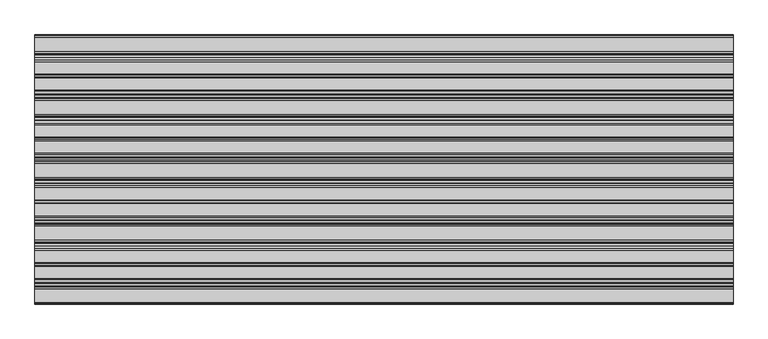
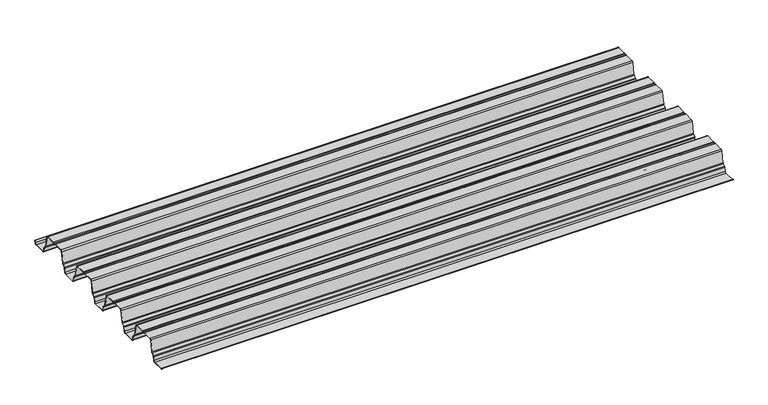
"""IFC4 building model written with IfcOpenShell, lengths in millimetres: proxy geometry."""

from ifc_helpers import new_model, si_unit, point, frame, frame_2d, origin, place, context, project, spatial, polyline, circle_curve, trimmed, segment, composite_curve, outline, extrude, source, transform, mapped, element, save


def generic_models_6c140cdf(model_context):
    return source(origin(), model_context, "Body", "SweptSolid", [
        extrude(outline(composite_curve([segment(polyline([(799.2348674, 5.0285637), (800.8132802, 13.0543919), (801.6286046, 13.0543919), (800.0198311, 4.8741875)]), True, "CONTINUOUS"), segment(trimmed(circle_curve(frame_2d((794.0936862, 6.0396627)), 6.0396627), [point((800.0198311, 4.8741875))], [point((794.0936862, 0.0))], False, "CARTESIAN"), True, "CONTINUOUS"), segment(polyline([(794.0936862, 0.0), (752.4008295, 0.0)]), True, "CONTINUOUS"), segment(trimmed(circle_curve(frame_2d((752.4008295, 6.0396627)), 6.0396627), [point((752.4008295, 0.0))], [point((746.4746846, 4.8741875))], False, "CARTESIAN"), True, "CONTINUOUS"), segment(polyline([(746.4746846, 4.8741875), (743.6634701, 19.1684986)]), True, "CONTINUOUS"), segment(trimmed(circle_curve(frame_2d((739.7968889, 18.408071)), 3.9406472), [point((743.6634701, 19.1684986))], [point((742.4263735, 21.3431197))], True, "CARTESIAN"), True, "CONTINUOUS"), segment(polyline([(742.4263735, 21.3431197), (735.2229221, 27.7966289)]), True, "CONTINUOUS"), segment(trimmed(circle_curve(frame_2d((739.2530214, 32.2950536)), 6.0396627), [point((735.2229221, 27.7966289))], [point((733.3268765, 31.1295784))], False, "CARTESIAN"), True, "CONTINUOUS"), segment(polyline([(733.3268765, 31.1295784), (725.3535131, 71.6721045)]), True, "CONTINUOUS"), segment(trimmed(circle_curve(frame_2d((721.4869319, 70.9116768)), 3.9406472), [point((725.3535131, 71.6721045))], [point((721.4869319, 74.852324))], True, "CARTESIAN"), True, "CONTINUOUS"), segment(polyline([(721.4869319, 74.852324), (685.2744738, 74.852324)]), True, "CONTINUOUS"), segment(trimmed(circle_curve(frame_2d((685.0463147, 73.5421606)), 1.3298815), [point((685.2744738, 74.852324))], [point((683.8090461, 74.0297578))], True, "CARTESIAN"), True, "CONTINUOUS"), segment(trimmed(circle_curve(frame_2d((679.6818528, 75.6562499)), 4.4361245), [point((683.8090461, 74.0297578))], [point((675.6988874, 73.7029995))], False, "CARTESIAN"), True, "CONTINUOUS"), segment(trimmed(circle_curve(frame_2d((673.8551694, 72.7988383)), 2.0534857), [point((675.6988874, 73.7029995))], [point((673.8551694, 74.852324))], True, "CARTESIAN"), True, "CONTINUOUS"), segment(polyline([(673.8551694, 74.852324), (637.8767738, 74.852324)]), True, "CONTINUOUS"), segment(trimmed(circle_curve(frame_2d((637.8767738, 70.9116768)), 3.9406472), [point((637.8767738, 74.852324))], [point((634.0101926, 71.6721045))], True, "CARTESIAN"), True, "CONTINUOUS"), segment(polyline([(634.0101926, 71.6721045), (626.0368291, 31.1295784)]), True, "CONTINUOUS"), segment(trimmed(circle_curve(frame_2d((620.1106843, 32.2950536)), 6.0396627), [point((626.0368291, 31.1295784))], [point((624.1407836, 27.7966289))], False, "CARTESIAN"), True, "CONTINUOUS"), segment(polyline([(624.1407836, 27.7966289), (616.9373322, 21.3431197)]), True, "CONTINUOUS"), segment(trimmed(circle_curve(frame_2d((619.5668167, 18.408071)), 3.9406472), [point((616.9373322, 21.3431197))], [point((615.7002355, 19.1684986))], True, "CARTESIAN"), True, "CONTINUOUS"), segment(polyline([(615.7002355, 19.1684986), (612.889021, 4.8741875)]), True, "CONTINUOUS"), segment(trimmed(circle_curve(frame_2d((606.9628762, 6.0396627)), 6.0396627), [point((612.889021, 4.8741875))], [point((606.9628762, 0.0))], False, "CARTESIAN"), True, "CONTINUOUS"), segment(polyline([(606.9628762, 0.0), (565.2700195, 0.0)]), True, "CONTINUOUS"), segment(trimmed(circle_curve(frame_2d((565.2700195, 6.0396627)), 6.0396627), [point((565.2700195, 0.0))], [point((559.3438746, 4.8741875))], False, "CARTESIAN"), True, "CONTINUOUS"), segment(polyline([(559.3438746, 4.8741875), (556.5326601, 19.1684986)]), True, "CONTINUOUS"), segment(trimmed(circle_curve(frame_2d((552.6660789, 18.408071)), 3.9406472), [point((556.5326601, 19.1684986))], [point((555.2955635, 21.3431197))], True, "CARTESIAN"), True, "CONTINUOUS"), segment(polyline([(555.2955635, 21.3431197), (548.092112, 27.7966289)]), True, "CONTINUOUS"), segment(trimmed(circle_curve(frame_2d((552.1222114, 32.2950536)), 6.0396627), [point((548.092112, 27.7966289))], [point((546.1960665, 31.1295784))], False, "CARTESIAN"), True, "CONTINUOUS"), segment(polyline([(546.1960665, 31.1295784), (538.2227031, 71.6721045)]), True, "CONTINUOUS"), segment(trimmed(circle_curve(frame_2d((534.3561219, 70.9116768)), 3.9406472), [point((538.2227031, 71.6721045))], [point((534.3561219, 74.852324))], True, "CARTESIAN"), True, "CONTINUOUS"), segment(polyline([(534.3561219, 74.852324), (498.1436637, 74.852324)]), True, "CONTINUOUS"), segment(trimmed(circle_curve(frame_2d((497.9155047, 73.5421606)), 1.3298815), [point((498.1436637, 74.852324))], [point((496.678236, 74.0297578))], True, "CARTESIAN"), True, "CONTINUOUS"), segment(trimmed(circle_curve(frame_2d((492.5510428, 75.6562499)), 4.4361245), [point((496.678236, 74.0297578))], [point((488.5680774, 73.7029995))], False, "CARTESIAN"), True, "CONTINUOUS"), segment(trimmed(circle_curve(frame_2d((486.7243594, 72.7988383)), 2.0534857), [point((488.5680774, 73.7029995))], [point((486.7243594, 74.852324))], True, "CARTESIAN"), True, "CONTINUOUS"), segment(polyline([(486.7243594, 74.852324), (450.7459637, 74.852324)]), True, "CONTINUOUS"), segment(trimmed(circle_curve(frame_2d((450.7459637, 70.9116768)), 3.9406472), [point((450.7459637, 74.852324))], [point((446.8793826, 71.6721045))], True, "CARTESIAN"), True, "CONTINUOUS"), segment(polyline([(446.8793826, 71.6721045), (438.9060191, 31.1295784)]), True, "CONTINUOUS"), segment(trimmed(circle_curve(frame_2d((432.9798742, 32.2950536)), 6.0396627), [point((438.9060191, 31.1295784))], [point((437.0099736, 27.7966289))], False, "CARTESIAN"), True, "CONTINUOUS"), segment(polyline([(437.0099736, 27.7966289), (429.8065222, 21.3431197)]), True, "CONTINUOUS"), segment(trimmed(circle_curve(frame_2d((432.4360067, 18.408071)), 3.9406472), [point((429.8065222, 21.3431197))], [point((428.5694255, 19.1684986))], True, "CARTESIAN"), True, "CONTINUOUS"), segment(polyline([(428.5694255, 19.1684986), (425.758211, 4.8741875)]), True, "CONTINUOUS"), segment(trimmed(circle_curve(frame_2d((419.8320661, 6.0396627)), 6.0396627), [point((425.758211, 4.8741875))], [point((419.8320661, 0.0))], False, "CARTESIAN"), True, "CONTINUOUS"), segment(polyline([(419.8320661, 0.0), (378.1392095, 0.0)]), True, "CONTINUOUS"), segment(trimmed(circle_curve(frame_2d((378.1392095, 6.0396627)), 6.0396627), [point((378.1392095, 0.0))], [point((372.2130646, 4.8741875))], False, "CARTESIAN"), True, "CONTINUOUS"), segment(polyline([(372.2130646, 4.8741875), (369.4018501, 19.1684986)]), True, "CONTINUOUS"), segment(trimmed(circle_curve(frame_2d((365.5352689, 18.408071)), 3.9406472), [point((369.4018501, 19.1684986))], [point((368.1647534, 21.3431197))], True, "CARTESIAN"), True, "CONTINUOUS"), segment(polyline([(368.1647534, 21.3431197), (360.961302, 27.7966289)]), True, "CONTINUOUS"), segment(trimmed(circle_curve(frame_2d((364.9914013, 32.2950536)), 6.0396627), [point((360.961302, 27.7966289))], [point((359.0652565, 31.1295784))], False, "CARTESIAN"), True, "CONTINUOUS"), segment(polyline([(359.0652565, 31.1295784), (351.091893, 71.6721045)]), True, "CONTINUOUS"), segment(trimmed(circle_curve(frame_2d((347.2253118, 70.9116768)), 3.9406472), [point((351.091893, 71.6721045))], [point((347.2253118, 74.852324))], True, "CARTESIAN"), True, "CONTINUOUS"), segment(polyline([(347.2253118, 74.852324), (311.0128537, 74.852324)]), True, "CONTINUOUS"), segment(trimmed(circle_curve(frame_2d((310.7846947, 73.5421606)), 1.3298815), [point((311.0128537, 74.852324))], [point((309.547426, 74.0297578))], True, "CARTESIAN"), True, "CONTINUOUS"), segment(trimmed(circle_curve(frame_2d((305.4202328, 75.6562499)), 4.4361245), [point((309.547426, 74.0297578))], [point((301.4372673, 73.7029995))], False, "CARTESIAN"), True, "CONTINUOUS"), segment(trimmed(circle_curve(frame_2d((299.5935494, 72.7988383)), 2.0534857), [point((301.4372673, 73.7029995))], [point((299.5935494, 74.852324))], True, "CARTESIAN"), True, "CONTINUOUS"), segment(polyline([(299.5935494, 74.852324), (263.6151537, 74.852324)]), True, "CONTINUOUS"), segment(trimmed(circle_curve(frame_2d((263.6151537, 70.9116768)), 3.9406472), [point((263.6151537, 74.852324))], [point((259.7485725, 71.6721045))], True, "CARTESIAN"), True, "CONTINUOUS"), segment(polyline([(259.7485725, 71.6721045), (251.7752091, 31.1295784)]), True, "CONTINUOUS"), segment(trimmed(circle_curve(frame_2d((245.8490642, 32.2950536)), 6.0396627), [point((251.7752091, 31.1295784))], [point((249.8791636, 27.7966289))], False, "CARTESIAN"), True, "CONTINUOUS"), segment(polyline([(249.8791636, 27.7966289), (242.6757121, 21.3431197)]), True, "CONTINUOUS"), segment(trimmed(circle_curve(frame_2d((245.3051967, 18.408071)), 3.9406472), [point((242.6757121, 21.3431197))], [point((241.4386155, 19.1684986))], True, "CARTESIAN"), True, "CONTINUOUS"), segment(polyline([(241.4386155, 19.1684986), (238.627401, 4.8741875)]), True, "CONTINUOUS"), segment(trimmed(circle_curve(frame_2d((232.7012561, 6.0396627)), 6.0396627), [point((238.627401, 4.8741875))], [point((232.7012561, 0.0))], False, "CARTESIAN"), True, "CONTINUOUS"), segment(polyline([(232.7012561, 0.0), (191.0083994, 0.0)]), True, "CONTINUOUS"), segment(trimmed(circle_curve(frame_2d((191.0083994, 6.0396627)), 6.0396627), [point((191.0083994, 0.0))], [point((185.0822546, 4.8741875))], False, "CARTESIAN"), True, "CONTINUOUS"), segment(polyline([(185.0822546, 4.8741875), (182.27104, 19.1684986)]), True, "CONTINUOUS"), segment(trimmed(circle_curve(frame_2d((178.4044589, 18.408071)), 3.9406472), [point((182.27104, 19.1684986))], [point((181.0339434, 21.3431197))], True, "CARTESIAN"), True, "CONTINUOUS"), segment(polyline([(181.0339434, 21.3431197), (173.830492, 27.7966289)]), True, "CONTINUOUS"), segment(trimmed(circle_curve(frame_2d((177.8605913, 32.2950536)), 6.0396627), [point((173.830492, 27.7966289))], [point((171.9344465, 31.1295784))], False, "CARTESIAN"), True, "CONTINUOUS"), segment(polyline([(171.9344465, 31.1295784), (163.961083, 71.6721045)]), True, "CONTINUOUS"), segment(trimmed(circle_curve(frame_2d((160.0945018, 70.9116768)), 3.9406472), [point((163.961083, 71.6721045))], [point((160.0945018, 74.852324))], True, "CARTESIAN"), True, "CONTINUOUS"), segment(polyline([(160.0945018, 74.852324), (123.8820437, 74.852324)]), True, "CONTINUOUS"), segment(trimmed(circle_curve(frame_2d((123.6538846, 73.5421606)), 1.3298815), [point((123.8820437, 74.852324))], [point((122.416616, 74.0297578))], True, "CARTESIAN"), True, "CONTINUOUS"), segment(trimmed(circle_curve(frame_2d((118.2894228, 75.6562499)), 4.4361245), [point((122.416616, 74.0297578))], [point((114.3064573, 73.7029995))], False, "CARTESIAN"), True, "CONTINUOUS"), segment(trimmed(circle_curve(frame_2d((112.4627393, 72.7988383)), 2.0534857), [point((114.3064573, 73.7029995))], [point((112.4627393, 74.852324))], True, "CARTESIAN"), True, "CONTINUOUS"), segment(polyline([(112.4627393, 74.852324), (76.4843437, 74.852324)]), True, "CONTINUOUS"), segment(trimmed(circle_curve(frame_2d((76.4843437, 70.9116768)), 3.9406472), [point((76.4843437, 74.852324))], [point((72.6177625, 71.6721045))], True, "CARTESIAN"), True, "CONTINUOUS"), segment(polyline([(72.6177625, 71.6721045), (64.6443991, 31.1295784)]), True, "CONTINUOUS"), segment(trimmed(circle_curve(frame_2d((58.7182542, 32.2950536)), 6.0396627), [point((64.6443991, 31.1295784))], [point((62.7483535, 27.7966289))], False, "CARTESIAN"), True, "CONTINUOUS"), segment(polyline([(62.7483535, 27.7966289), (55.5449021, 21.3431197)]), True, "CONTINUOUS"), segment(trimmed(circle_curve(frame_2d((58.1743866, 18.408071)), 3.9406472), [point((55.5449021, 21.3431197))], [point((54.3064611, 19.1616306))], True, "CARTESIAN"), True, "CONTINUOUS"), segment(polyline([(54.3064611, 19.1616306), (51.4950825, 5.8645745)]), True, "CONTINUOUS"), segment(trimmed(circle_curve(frame_2d((45.5704461, 7.0376937)), 6.0396627), [point((51.4950825, 5.8645745))], [point((45.5704461, 0.998031))], False, "CARTESIAN"), True, "CONTINUOUS"), segment(polyline([(45.5704461, 0.998031), (5.8736514, 0.998031)]), True, "CONTINUOUS"), segment(trimmed(circle_curve(frame_2d((5.8736514, 7.0376937)), 6.0396627), [point((5.8736514, 0.998031))], [point((0.0, 5.6313705))], False, "CARTESIAN"), True, "CONTINUOUS"), segment(polyline([(0.0, 5.6313705), (0.7780105, 5.8176489)]), True, "CONTINUOUS"), segment(trimmed(circle_curve(frame_2d((5.8736514, 7.0376937)), 5.2396627), [point((0.7780105, 5.8176489))], [point((5.8736514, 1.798031))], True, "CARTESIAN"), True, "CONTINUOUS"), segment(polyline([(5.8736514, 1.798031), (45.5704461, 1.798031)]), True, "CONTINUOUS"), segment(trimmed(circle_curve(frame_2d((45.5704461, 7.0376937)), 5.2396627), [point((45.5704461, 1.798031))], [point((50.7112816, 6.0248388))], True, "CARTESIAN"), True, "CONTINUOUS"), segment(polyline([(50.7112816, 6.0248388), (53.5225053, 19.3211622)]), True, "CONTINUOUS"), segment(trimmed(circle_curve(frame_2d((58.1743866, 18.408071)), 4.7406472), [point((53.5225053, 19.3211622))], [point((55.0110843, 21.9389709))], False, "CARTESIAN"), True, "CONTINUOUS"), segment(polyline([(55.0110843, 21.9389709), (62.2145357, 28.39248)]), True, "CONTINUOUS"), segment(trimmed(circle_curve(frame_2d((58.7182542, 32.2950536)), 5.2396627), [point((62.2145357, 28.39248))], [point((63.8594354, 31.2839546))], True, "CARTESIAN"), True, "CONTINUOUS"), segment(polyline([(63.8594354, 31.2839546), (71.8327988, 71.8264806)]), True, "CONTINUOUS"), segment(trimmed(circle_curve(frame_2d((76.4843437, 70.9116768)), 4.7406472), [point((71.8327988, 71.8264806))], [point((76.4843437, 75.652324))], False, "CARTESIAN"), True, "CONTINUOUS"), segment(polyline([(76.4843437, 75.652324), (112.4627393, 75.652324)]), True, "CONTINUOUS"), segment(trimmed(circle_curve(frame_2d((112.4627393, 72.7988383)), 2.8534857), [point((112.4627393, 75.652324))], [point((115.0247357, 74.055244))], False, "CARTESIAN"), True, "CONTINUOUS"), segment(trimmed(circle_curve(frame_2d((118.2894228, 75.6562499)), 3.6361245), [point((115.0247357, 74.055244))], [point((121.6723279, 74.3230754))], True, "CARTESIAN"), True, "CONTINUOUS"), segment(trimmed(circle_curve(frame_2d((123.6538846, 73.5421606)), 2.1298815), [point((121.6723279, 74.3230754))], [point((123.9430307, 75.652324))], False, "CARTESIAN"), True, "CONTINUOUS"), segment(polyline([(123.9430307, 75.652324), (160.0945018, 75.652324)]), True, "CONTINUOUS"), segment(trimmed(circle_curve(frame_2d((160.0945018, 70.9116768)), 4.7406472), [point((160.0945018, 75.652324))], [point((164.7460467, 71.8264806))], False, "CARTESIAN"), True, "CONTINUOUS"), segment(polyline([(164.7460467, 71.8264806), (172.7194101, 31.2839546)]), True, "CONTINUOUS"), segment(trimmed(circle_curve(frame_2d((177.8605913, 32.2950536)), 5.2396627), [point((172.7194101, 31.2839546))], [point((174.3643098, 28.39248))], True, "CARTESIAN"), True, "CONTINUOUS"), segment(polyline([(174.3643098, 28.39248), (181.5677612, 21.9389709)]), True, "CONTINUOUS"), segment(trimmed(circle_curve(frame_2d((178.4044589, 18.408071)), 4.7406472), [point((181.5677612, 21.9389709))], [point((183.0560037, 19.3228748))], False, "CARTESIAN"), True, "CONTINUOUS"), segment(polyline([(183.0560037, 19.3228748), (185.8672182, 5.0285637)]), True, "CONTINUOUS"), segment(trimmed(circle_curve(frame_2d((191.0083994, 6.0396627)), 5.2396627), [point((185.8672182, 5.0285637))], [point((191.0083994, 0.8))], True, "CARTESIAN"), True, "CONTINUOUS"), segment(polyline([(191.0083994, 0.8), (232.7012561, 0.8)]), True, "CONTINUOUS"), segment(trimmed(circle_curve(frame_2d((232.7012561, 6.0396627)), 5.2396627), [point((232.7012561, 0.8))], [point((237.8424373, 5.0285637))], True, "CARTESIAN"), True, "CONTINUOUS"), segment(polyline([(237.8424373, 5.0285637), (240.6536518, 19.3228748)]), True, "CONTINUOUS"), segment(trimmed(circle_curve(frame_2d((245.3051967, 18.408071)), 4.7406472), [point((240.6536518, 19.3228748))], [point((242.1418943, 21.9389709))], False, "CARTESIAN"), True, "CONTINUOUS"), segment(polyline([(242.1418943, 21.9389709), (249.3453457, 28.39248)]), True, "CONTINUOUS"), segment(trimmed(circle_curve(frame_2d((245.8490642, 32.2950536)), 5.2396627), [point((249.3453457, 28.39248))], [point((250.9902454, 31.2839546))], True, "CARTESIAN"), True, "CONTINUOUS"), segment(polyline([(250.9902454, 31.2839546), (258.9636088, 71.8264806)]), True, "CONTINUOUS"), segment(trimmed(circle_curve(frame_2d((263.6151537, 70.9116768)), 4.7406472), [point((258.9636088, 71.8264806))], [point((263.6151537, 75.652324))], False, "CARTESIAN"), True, "CONTINUOUS"), segment(polyline([(263.6151537, 75.652324), (299.5935494, 75.652324)]), True, "CONTINUOUS"), segment(trimmed(circle_curve(frame_2d((299.5935494, 72.7988383)), 2.8534857), [point((299.5935494, 75.652324))], [point((302.1555457, 74.055244))], False, "CARTESIAN"), True, "CONTINUOUS"), segment(trimmed(circle_curve(frame_2d((305.4202328, 75.6562499)), 3.6361245), [point((302.1555457, 74.055244))], [point((308.8031379, 74.3230754))], True, "CARTESIAN"), True, "CONTINUOUS"), segment(trimmed(circle_curve(frame_2d((310.7846947, 73.5421606)), 2.1298815), [point((308.8031379, 74.3230754))], [point((311.0738407, 75.652324))], False, "CARTESIAN"), True, "CONTINUOUS"), segment(polyline([(311.0738407, 75.652324), (347.2253118, 75.652324)]), True, "CONTINUOUS"), segment(trimmed(circle_curve(frame_2d((347.2253118, 70.9116768)), 4.7406472), [point((347.2253118, 75.652324))], [point((351.8768567, 71.8264806))], False, "CARTESIAN"), True, "CONTINUOUS"), segment(polyline([(351.8768567, 71.8264806), (359.8502202, 31.2839546)]), True, "CONTINUOUS"), segment(trimmed(circle_curve(frame_2d((364.9914013, 32.2950536)), 5.2396627), [point((359.8502202, 31.2839546))], [point((361.4951198, 28.39248))], True, "CARTESIAN"), True, "CONTINUOUS"), segment(polyline([(361.4951198, 28.39248), (368.6985712, 21.9389709)]), True, "CONTINUOUS"), segment(trimmed(circle_curve(frame_2d((365.5352689, 18.408071)), 4.7406472), [point((368.6985712, 21.9389709))], [point((370.1868138, 19.3228748))], False, "CARTESIAN"), True, "CONTINUOUS"), segment(polyline([(370.1868138, 19.3228748), (372.9980283, 5.0285637)]), True, "CONTINUOUS"), segment(trimmed(circle_curve(frame_2d((378.1392095, 6.0396627)), 5.2396627), [point((372.9980283, 5.0285637))], [point((378.1392095, 0.8))], True, "CARTESIAN"), True, "CONTINUOUS"), segment(polyline([(378.1392095, 0.8), (419.8320661, 0.8)]), True, "CONTINUOUS"), segment(trimmed(circle_curve(frame_2d((419.8320661, 6.0396627)), 5.2396627), [point((419.8320661, 0.8))], [point((424.9732473, 5.0285637))], True, "CARTESIAN"), True, "CONTINUOUS"), segment(polyline([(424.9732473, 5.0285637), (427.7844618, 19.3228748)]), True, "CONTINUOUS"), segment(trimmed(circle_curve(frame_2d((432.4360067, 18.408071)), 4.7406472), [point((427.7844618, 19.3228748))], [point((429.2727044, 21.9389709))], False, "CARTESIAN"), True, "CONTINUOUS"), segment(polyline([(429.2727044, 21.9389709), (436.4761558, 28.39248)]), True, "CONTINUOUS"), segment(trimmed(circle_curve(frame_2d((432.9798742, 32.2950536)), 5.2396627), [point((436.4761558, 28.39248))], [point((438.1210554, 31.2839546))], True, "CARTESIAN"), True, "CONTINUOUS"), segment(polyline([(438.1210554, 31.2839546), (446.0944189, 71.8264806)]), True, "CONTINUOUS"), segment(trimmed(circle_curve(frame_2d((450.7459637, 70.9116768)), 4.7406472), [point((446.0944189, 71.8264806))], [point((450.7459637, 75.652324))], False, "CARTESIAN"), True, "CONTINUOUS"), segment(polyline([(450.7459637, 75.652324), (486.7243594, 75.652324)]), True, "CONTINUOUS"), segment(trimmed(circle_curve(frame_2d((486.7243594, 72.7988383)), 2.8534857), [point((486.7243594, 75.652324))], [point((489.2863558, 74.055244))], False, "CARTESIAN"), True, "CONTINUOUS"), segment(trimmed(circle_curve(frame_2d((492.5510428, 75.6562499)), 3.6361245), [point((489.2863558, 74.055244))], [point((495.933948, 74.3230754))], True, "CARTESIAN"), True, "CONTINUOUS"), segment(trimmed(circle_curve(frame_2d((497.9155047, 73.5421606)), 2.1298815), [point((495.933948, 74.3230754))], [point((498.2046507, 75.652324))], False, "CARTESIAN"), True, "CONTINUOUS"), segment(polyline([(498.2046507, 75.652324), (534.3561219, 75.652324)]), True, "CONTINUOUS"), segment(trimmed(circle_curve(frame_2d((534.3561219, 70.9116768)), 4.7406472), [point((534.3561219, 75.652324))], [point((539.0076667, 71.8264806))], False, "CARTESIAN"), True, "CONTINUOUS"), segment(polyline([(539.0076667, 71.8264806), (546.9810302, 31.2839546)]), True, "CONTINUOUS"), segment(trimmed(circle_curve(frame_2d((552.1222114, 32.2950536)), 5.2396627), [point((546.9810302, 31.2839546))], [point((548.6259298, 28.39248))], True, "CARTESIAN"), True, "CONTINUOUS"), segment(polyline([(548.6259298, 28.39248), (555.8293813, 21.9389709)]), True, "CONTINUOUS"), segment(trimmed(circle_curve(frame_2d((552.6660789, 18.408071)), 4.7406472), [point((555.8293813, 21.9389709))], [point((557.3176238, 19.3228748))], False, "CARTESIAN"), True, "CONTINUOUS"), segment(polyline([(557.3176238, 19.3228748), (560.1288383, 5.0285637)]), True, "CONTINUOUS"), segment(trimmed(circle_curve(frame_2d((565.2700195, 6.0396627)), 5.2396627), [point((560.1288383, 5.0285637))], [point((565.2700195, 0.8))], True, "CARTESIAN"), True, "CONTINUOUS"), segment(polyline([(565.2700195, 0.8), (606.9628762, 0.8)]), True, "CONTINUOUS"), segment(trimmed(circle_curve(frame_2d((606.9628762, 6.0396627)), 5.2396627), [point((606.9628762, 0.8))], [point((612.1040573, 5.0285637))], True, "CARTESIAN"), True, "CONTINUOUS"), segment(polyline([(612.1040573, 5.0285637), (614.9152718, 19.3228748)]), True, "CONTINUOUS"), segment(trimmed(circle_curve(frame_2d((619.5668167, 18.408071)), 4.7406472), [point((614.9152718, 19.3228748))], [point((616.4035144, 21.9389709))], False, "CARTESIAN"), True, "CONTINUOUS"), segment(polyline([(616.4035144, 21.9389709), (623.6069658, 28.39248)]), True, "CONTINUOUS"), segment(trimmed(circle_curve(frame_2d((620.1106843, 32.2950536)), 5.2396627), [point((623.6069658, 28.39248))], [point((625.2518654, 31.2839546))], True, "CARTESIAN"), True, "CONTINUOUS"), segment(polyline([(625.2518654, 31.2839546), (633.2252289, 71.8264806)]), True, "CONTINUOUS"), segment(trimmed(circle_curve(frame_2d((637.8767738, 70.9116768)), 4.7406472), [point((633.2252289, 71.8264806))], [point((637.8767738, 75.652324))], False, "CARTESIAN"), True, "CONTINUOUS"), segment(polyline([(637.8767738, 75.652324), (673.8551694, 75.652324)]), True, "CONTINUOUS"), segment(trimmed(circle_curve(frame_2d((673.8551694, 72.7988383)), 2.8534857), [point((673.8551694, 75.652324))], [point((676.4171658, 74.055244))], False, "CARTESIAN"), True, "CONTINUOUS"), segment(trimmed(circle_curve(frame_2d((679.6818528, 75.6562499)), 3.6361245), [point((676.4171658, 74.055244))], [point((683.064758, 74.3230754))], True, "CARTESIAN"), True, "CONTINUOUS"), segment(trimmed(circle_curve(frame_2d((685.0463147, 73.5421606)), 2.1298815), [point((683.064758, 74.3230754))], [point((685.3354608, 75.652324))], False, "CARTESIAN"), True, "CONTINUOUS"), segment(polyline([(685.3354608, 75.652324), (721.4869319, 75.652324)]), True, "CONTINUOUS"), segment(trimmed(circle_curve(frame_2d((721.4869319, 70.9116768)), 4.7406472), [point((721.4869319, 75.652324))], [point((726.1384768, 71.8264806))], False, "CARTESIAN"), True, "CONTINUOUS"), segment(polyline([(726.1384768, 71.8264806), (734.1118402, 31.2839546)]), True, "CONTINUOUS"), segment(trimmed(circle_curve(frame_2d((739.2530214, 32.2950536)), 5.2396627), [point((734.1118402, 31.2839546))], [point((735.7567399, 28.39248))], True, "CARTESIAN"), True, "CONTINUOUS"), segment(polyline([(735.7567399, 28.39248), (742.9601913, 21.9389709)]), True, "CONTINUOUS"), segment(trimmed(circle_curve(frame_2d((739.7968889, 18.408071)), 4.7406472), [point((742.9601913, 21.9389709))], [point((744.4484338, 19.3228748))], False, "CARTESIAN"), True, "CONTINUOUS"), segment(polyline([(744.4484338, 19.3228748), (747.2596483, 5.0285637)]), True, "CONTINUOUS"), segment(trimmed(circle_curve(frame_2d((752.4008295, 6.0396627)), 5.2396627), [point((747.2596483, 5.0285637))], [point((752.4008295, 0.8))], True, "CARTESIAN"), True, "CONTINUOUS"), segment(polyline([(752.4008295, 0.8), (794.0936862, 0.8)]), True, "CONTINUOUS"), segment(trimmed(circle_curve(frame_2d((794.0936862, 6.0396627)), 5.2396627), [point((794.0936862, 0.8))], [point((799.2348674, 5.0285637))], True, "CARTESIAN"), True, "CONTINUOUS")], self_intersect=False)), frame((0.0, 0.0, 0.0), z_axis=(1.0, 0.0, 0.0), x_axis=(0.0, 1.0, 0.0)), (0.0, 0.0, 1.0), 2079.4134947),
    ])


if __name__ == "__main__":
    model = new_model("IFC4")
    model_context = context("Model", 3, world=origin())
    ifc_project = project(units=[si_unit("LENGTHUNIT", "METRE", prefix="MILLI")], contexts=[model_context])
    site = spatial("IfcSite", under=ifc_project)
    building = spatial("IfcBuilding", under=site)
    placement = place(None, origin())
    generic_models_shape = generic_models_6c140cdf(model_context)
    element("IfcBuildingElementProxy", 1, Name="Generic Models", at=placement, inside=building, context=model_context, shape_type="MappedRepresentation", body=[
        mapped(generic_models_shape, transform((0.0, 0.0, 0.0), x_axis=(1.0, 0.0, 0.0), y_axis=(0.0, 1.0, 0.0), z_axis=(0.0, 0.0, 1.0))),
    ])
    save(model, "model.ifc")
